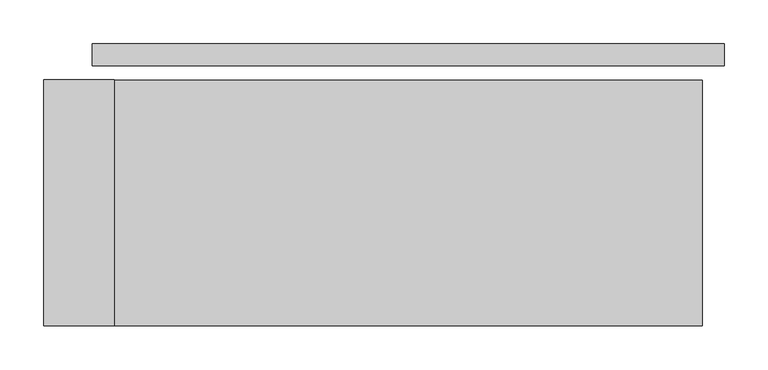
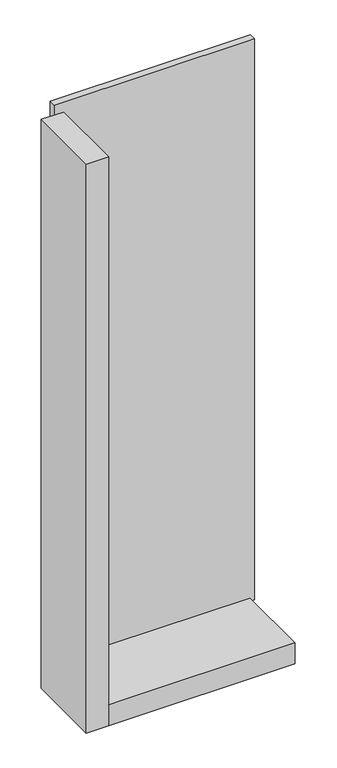
"""IFC4 building model written with IfcOpenShell, lengths in millimetres: plate geometry."""

import ifcopenshell
import ifcopenshell.guid

model = None  # the IFC model being written
_history = None  # IfcOwnerHistory: only IFC2X3 demands one
_inside = {}  # id of a spatial element -> (the spatial element, [elements in it])
_under = {}  # id of a project, library or spatial element -> (it, [spatial elements below it])
_declared = {}  # id of a project -> (the project, [libraries it declares])
_typed = {}  # id of a type object -> (the type object, [elements of that type])
_made_of = {}  # id of a material, layer set ... -> (it, [elements and type objects made of it])


def new_model(schema):
    """Start an empty IFC model of exactly this schema.

    Asked for "IFC4X3", IfcOpenShell would pick the latest addendum, in which some entities
    have other attributes; the version numbers below select the first issue.
    IFC2X3 requires an IfcOwnerHistory on every rooted entity: one is made here for all.
    """
    global model, _history
    if schema == "IFC4X3":
        model = ifcopenshell.file(schema_version=(4, 3, 0, 0))
    else:
        model = ifcopenshell.file(schema=schema)
    _inside.clear()
    _under.clear()
    _declared.clear()
    _typed.clear()
    _made_of.clear()
    _history = None
    if model.schema == "IFC2X3":
        org = make("IfcOrganization", Name="unknown")
        user = make(
            "IfcPersonAndOrganization",
            ThePerson=make("IfcPerson", FamilyName="unknown"),
            TheOrganization=org,
        )
        app = make(
            "IfcApplication",
            ApplicationDeveloper=org,
            Version="unknown",
            ApplicationFullName="unknown",
            ApplicationIdentifier="unknown",
        )
        _history = make(
            "IfcOwnerHistory",
            OwningUser=user,
            OwningApplication=app,
            ChangeAction="ADDED",
            CreationDate=0,
        )
    return model


def make(cls, **values):
    """One entity of the class cls with the attributes given. An attribute that is None is left unset."""
    return model.create_entity(
        cls, **{name: value for name, value in values.items() if value is not None}
    )


def rooted(cls, **values):
    """An entity with a GlobalId (a new one), such as an element, a storey or a relation."""
    return make(cls, GlobalId=ifcopenshell.guid.new(), OwnerHistory=_history, **values)


def si_unit(unit_type, name, prefix=None):
    """IfcSIUnit, for example si_unit("LENGTHUNIT", "METRE", prefix="MILLI")."""
    return make("IfcSIUnit", UnitType=unit_type, Prefix=prefix, Name=name)


def assignment(units):
    """IfcUnitAssignment: the units of a project."""
    return None if units is None else make("IfcUnitAssignment", Units=units)


def point(xyz):
    """IfcCartesianPoint."""
    return None if xyz is None else make("IfcCartesianPoint", Coordinates=xyz)


def direction(xyz):
    """IfcDirection."""
    return None if xyz is None else make("IfcDirection", DirectionRatios=xyz)


def frame(location, z_axis=None, x_axis=None):
    """IfcAxis2Placement3D, a coordinate frame: its origin and axes. An axis left out is left unset."""
    return make(
        "IfcAxis2Placement3D",
        Location=point(location),
        Axis=direction(z_axis),
        RefDirection=direction(x_axis),
    )


def origin():
    """The frame at (0, 0, 0) with its axes left unset."""
    return frame((0.0, 0.0, 0.0))


def origin_with_axes():
    """The frame at (0, 0, 0) with the z axis (0, 0, 1) and the x axis (1, 0, 0) written out."""
    return frame((0.0, 0.0, 0.0), z_axis=(0.0, 0.0, 1.0), x_axis=(1.0, 0.0, 0.0))


def place(relative_to, where):
    """IfcLocalPlacement: puts the frame where relative to a parent placement (None: the world)."""
    return make(
        "IfcLocalPlacement", PlacementRelTo=relative_to, RelativePlacement=where
    )


def context(
    kind, dimensions, precision=None, world=None, true_north=None, identifier=None
):
    """IfcGeometricRepresentationContext, for example the 3D "Model" context."""
    return make(
        "IfcGeometricRepresentationContext",
        ContextIdentifier=identifier,
        ContextType=kind,
        CoordinateSpaceDimension=dimensions,
        Precision=precision,
        WorldCoordinateSystem=world,
        TrueNorth=true_north,
    )


def project(units=None, contexts=None):
    """IfcProject with its units and contexts."""
    return rooted(
        "IfcProject",
        Name="project",
        RepresentationContexts=contexts,
        UnitsInContext=assignment(units),
    )


def spatial(cls, under=None, at=None, **own):
    """A site, building, storey or space (cls), placed at a placement, below another one or the project."""
    s = rooted(cls, ObjectPlacement=at, **own)
    if under is not None:
        _under.setdefault(under.id(), (under, []))[1].append(s)
    return s


def polyline(points):
    """IfcPolyline through the points."""
    return make("IfcPolyline", Points=[point(p) for p in points])


def outline(outer, holes=None, kind="AREA"):
    """IfcArbitraryClosedProfileDef: a profile drawn as a closed curve; with holes, ...WithVoids."""
    if holes is None:
        return make("IfcArbitraryClosedProfileDef", ProfileType=kind, OuterCurve=outer)
    return make(
        "IfcArbitraryProfileDefWithVoids",
        ProfileType=kind,
        OuterCurve=outer,
        InnerCurves=holes,
    )


def extrude(swept, where, along, depth):
    """IfcExtrudedAreaSolid: the profile swept, set in the frame where, extruded along a direction by depth."""
    return make(
        "IfcExtrudedAreaSolid",
        SweptArea=swept,
        Position=where,
        ExtrudedDirection=direction(along),
        Depth=depth,
    )


def shape(context_of_items, identifier, shape_type, items):
    """IfcShapeRepresentation: the items that make up one representation, for example the "Body"."""
    return make(
        "IfcShapeRepresentation",
        ContextOfItems=context_of_items,
        RepresentationIdentifier=identifier,
        RepresentationType=shape_type,
        Items=items,
    )


def source(mapping_origin, context_of_items, identifier, shape_type, items):
    """IfcRepresentationMap: a shape defined once, which mapped items show again and again."""
    return make(
        "IfcRepresentationMap",
        MappingOrigin=mapping_origin,
        MappedRepresentation=shape(context_of_items, identifier, shape_type, items),
    )


def transform(
    local_origin,
    x_axis=None,
    y_axis=None,
    z_axis=None,
    scale=None,
    scale2=None,
    scale3=None,
    uniform=True,
):
    """IfcCartesianTransformationOperator3D, or its non-uniform kind. x_axis, y_axis, z_axis: its Axis1, 2, 3."""
    if uniform:
        return make(
            "IfcCartesianTransformationOperator3D",
            Axis1=direction(x_axis),
            Axis2=direction(y_axis),
            LocalOrigin=point(local_origin),
            Scale=scale,
            Axis3=direction(z_axis),
        )
    return make(
        "IfcCartesianTransformationOperator3DnonUniform",
        Axis1=direction(x_axis),
        Axis2=direction(y_axis),
        LocalOrigin=point(local_origin),
        Scale=scale,
        Axis3=direction(z_axis),
        Scale2=scale2,
        Scale3=scale3,
    )


def mapped(mapping_source, mapping_target):
    """IfcMappedItem: shows the shape of a source again, moved by a transform."""
    return make(
        "IfcMappedItem", MappingSource=mapping_source, MappingTarget=mapping_target
    )


def made_of(thing, what):
    """Note that an element or type object is made of a material, layer set ...; save() writes the relation."""
    if what is not None:
        _made_of.setdefault(what.id(), (what, []))[1].append(thing)
    return thing


def element(
    cls,
    number,
    at=None,
    inside=None,
    cuts=None,
    type_object=None,
    material=None,
    context=None,
    identifier="Body",
    shape_type=None,
    held_by="IfcProductDefinitionShape",
    body=None,
    shapes=None,
    **own,
):
    """One element of the class cls, such as IfcWall. Its Tag is "e" and its number.

    at: its placement. inside: the storey or other place that contains it. cuts: it is an
    opening in that element (IfcRelVoidsElement). A single representation is given by context,
    identifier, shape_type and body (its items); several are given by shapes. held_by: the class
    of the entity that holds the representations. save() writes the other relations.
    """
    e = rooted(cls, Tag="e%d" % number, ObjectPlacement=at, **own)
    if body is not None:
        shapes = [shape(context, identifier, shape_type, body)]
    if shapes is not None:
        e.Representation = make(held_by, Representations=shapes)
    if inside is not None:
        _inside.setdefault(inside.id(), (inside, []))[1].append(e)
    if cuts is not None:
        rooted(
            "IfcRelVoidsElement", RelatingBuildingElement=cuts, RelatedOpeningElement=e
        )
    if type_object is not None:
        _typed.setdefault(type_object.id(), (type_object, []))[1].append(e)
    return made_of(e, material)


def aggregate(whole, parts):
    """IfcRelAggregates: a whole, such as a stair, and the parts it consists of."""
    return rooted("IfcRelAggregates", RelatingObject=whole, RelatedObjects=parts)


def save(model, path):
    """Write the relations noted so far, then the file.

    IfcRelAggregates (storeys below a building ...), IfcRelContainedInSpatialStructure (elements
    in a storey), IfcRelDefinesByType, IfcRelAssociatesMaterial and IfcRelDeclares: one each for
    every whole, place, type object, material and project.
    """
    for whole, parts in _under.values():
        aggregate(whole, parts)
    for where, things in _inside.values():
        rooted(
            "IfcRelContainedInSpatialStructure",
            RelatedElements=things,
            RelatingStructure=where,
        )
    for kind, things in _typed.values():
        rooted("IfcRelDefinesByType", RelatedObjects=things, RelatingType=kind)
    for what, things in _made_of.values():
        rooted("IfcRelAssociatesMaterial", RelatedObjects=things, RelatingMaterial=what)
    for by, libraries in _declared.values():
        rooted("IfcRelDeclares", RelatingContext=by, RelatedDefinitions=libraries)
    model.write(path)


def plate_2d460daa(model_context):
    return source(origin(), model_context, "Body", "SweptSolid", [
        extrude(outline(polyline([(360.0, 0.0), (360.0, -25.0), (-360.0, -25.0), (-360.0, 0.0), (360.0, 0.0)])), origin_with_axes(), (0.0, 0.0, 1.0), 2132.0),
        extrude(outline(polyline([(-335.0, -41.0), (-335.0, -321.0), (-415.0, -321.0), (-415.0, -41.0), (-335.0, -41.0)])), frame((0.0, 0.0, -55.0), z_axis=(0.0, 0.0, 1.0), x_axis=(1.0, 0.0, 0.0)), (0.0, 0.0, 1.0), 2162.0),
        extrude(outline(polyline([(335.0, -321.0), (-335.0, -321.0), (-335.0, -41.0), (335.0, -41.0), (335.0, -321.0)])), frame((0.0, 0.0, -55.0), z_axis=(0.0, 0.0, 1.0), x_axis=(1.0, 0.0, 0.0)), (0.0, 0.0, 1.0), 80.0),
    ])


if __name__ == "__main__":
    model = new_model("IFC4")
    model_context = context("Model", 3, world=origin())
    ifc_project = project(units=[si_unit("LENGTHUNIT", "METRE", prefix="MILLI")], contexts=[model_context])
    site = spatial("IfcSite", under=ifc_project)
    building = spatial("IfcBuilding", under=site)
    placement = place(None, origin())
    plate_shape = plate_2d460daa(model_context)
    element("IfcPlate", 1, at=placement, inside=building, context=model_context, shape_type="MappedRepresentation", body=[
        mapped(plate_shape, transform((0.0, 0.0, 0.0), x_axis=(1.0, 0.0, 0.0), y_axis=(0.0, 1.0, 0.0), z_axis=(0.0, 0.0, 1.0))),
    ])
    save(model, "model.ifc")
